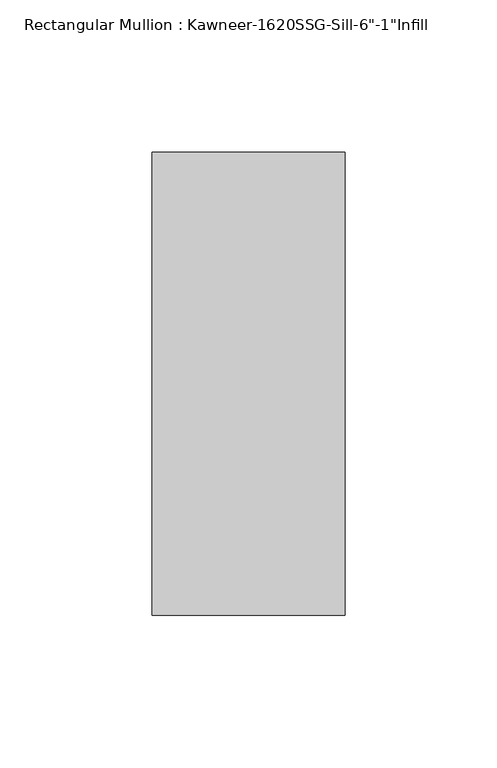
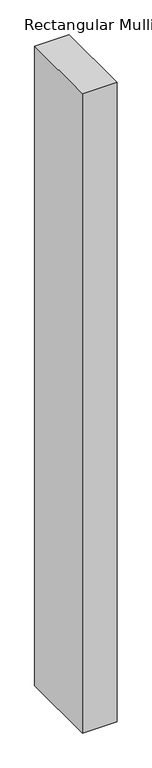
"""IFC4 building model written with IfcOpenShell, lengths in millimetres: member geometry."""

from ifc_helpers import new_model, si_unit, frame, origin, place, context, project, spatial, polyline, outline, extrude, source, transform, mapped, element, save


def member_460eb481(model_context):
    return source(origin(), model_context, "Body", "SweptSolid", [
        extrude(outline(polyline([(-63.5, 38.1), (0.0, 38.1), (0.0, -114.3), (-63.5, -114.3), (-63.5, 38.1)])), frame((0.0, 0.0, -1244.4243428), z_axis=(0.0, 0.0, 1.0), x_axis=(1.0, 0.0, 0.0)), (0.0, 0.0, 1.0), 1244.4243428),
    ])


if __name__ == "__main__":
    model = new_model("IFC4")
    model_context = context("Model", 3, world=origin())
    ifc_project = project(units=[si_unit("LENGTHUNIT", "METRE", prefix="MILLI")], contexts=[model_context])
    site = spatial("IfcSite", under=ifc_project)
    building = spatial("IfcBuilding", under=site)
    placement = place(None, origin())
    member_shape = member_460eb481(model_context)
    element("IfcMember", 1, ObjectType="Rectangular Mullion : Kawneer-1620SSG-Sill-6\"-1\"Infill", at=placement, inside=building, context=model_context, shape_type="MappedRepresentation", body=[
        mapped(member_shape, transform((0.0, 0.0, 0.0), x_axis=(1.0, 0.0, 0.0), y_axis=(0.0, 1.0, 0.0), z_axis=(0.0, 0.0, 1.0))),
    ])
    save(model, "model.ifc")
